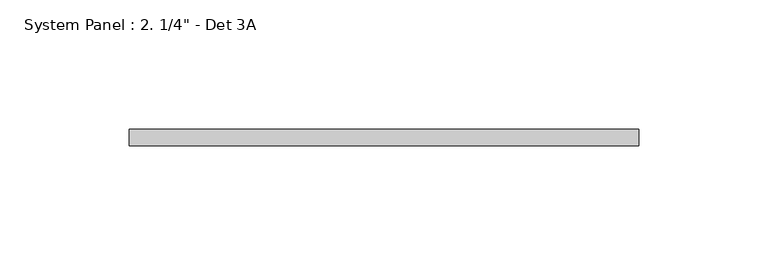
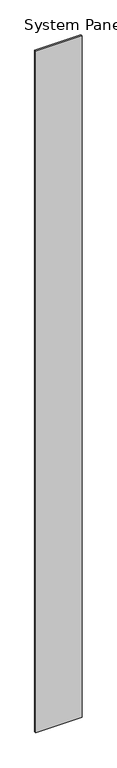
"""IFC4 building model written with IfcOpenShell, lengths in millimetres: plate geometry."""

from ifc_helpers import new_model, si_unit, origin, origin_with_axes, place, context, project, spatial, polyline, outline, extrude, source, transform, mapped, element, save


def plate_ebd9a1ad(model_context):
    return source(origin(), model_context, "Body", "SweptSolid", [
        extrude(outline(polyline([(98.425, 0.0), (-98.425, 0.0), (-98.425, 6.35), (98.425, 6.35), (98.425, 0.0)])), origin_with_axes(), (0.0, 0.0, 1.0), 3048.0),
    ])


if __name__ == "__main__":
    model = new_model("IFC4")
    model_context = context("Model", 3, world=origin())
    ifc_project = project(units=[si_unit("LENGTHUNIT", "METRE", prefix="MILLI")], contexts=[model_context])
    site = spatial("IfcSite", under=ifc_project)
    building = spatial("IfcBuilding", under=site)
    placement = place(None, origin())
    plate_shape = plate_ebd9a1ad(model_context)
    element("IfcPlate", 1, ObjectType="System Panel : 2. 1/4\" - Det 3A", at=placement, inside=building, context=model_context, shape_type="MappedRepresentation", body=[
        mapped(plate_shape, transform((0.0, 0.0, 0.0), x_axis=(1.0, 0.0, 0.0), y_axis=(0.0, 1.0, 0.0), z_axis=(0.0, 0.0, 1.0))),
    ])
    save(model, "model.ifc")
